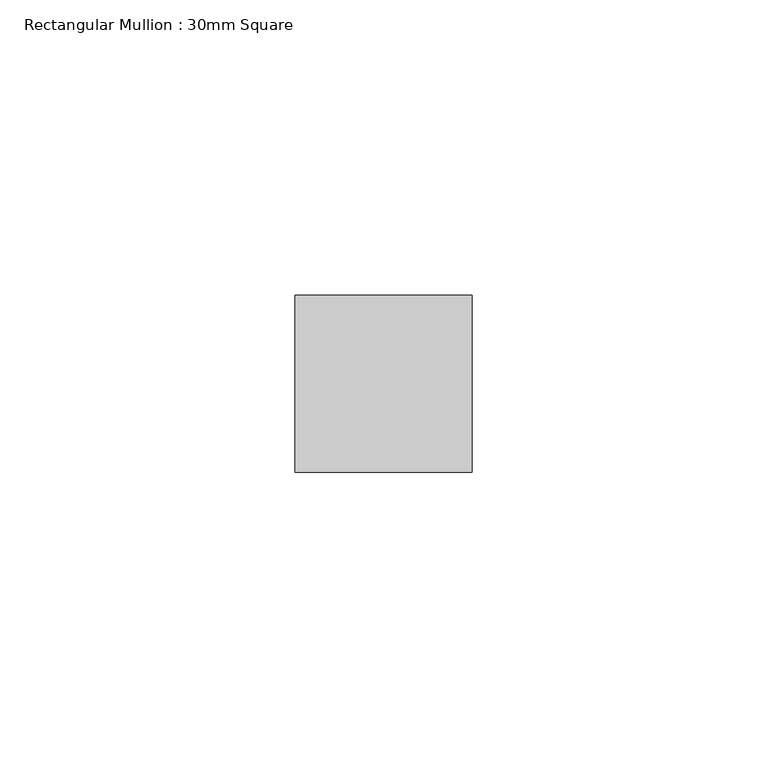
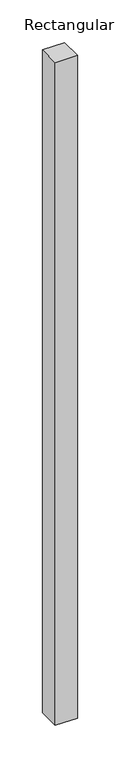
"""IFC4 building model written with IfcOpenShell, lengths in millimetres: member geometry, Rectangular Mullion : 30mm Square."""

from ifc_helpers import new_model, si_unit, frame, origin, place, context, project, spatial, polyline, outline, extrude, source, transform, mapped, element, save


def rectangular_mullion_30mm_square_d0212654(model_context):
    return source(origin(), model_context, "Body", "SweptSolid", [
        extrude(outline(polyline([(15.0, 15.0), (15.0, -15.0), (-15.0, -15.0), (-15.0, 15.0), (15.0, 15.0)])), frame((0.0, 0.0, -949.132638), z_axis=(0.0, 0.0, 1.0), x_axis=(1.0, 0.0, 0.0)), (0.0, 0.0, 1.0), 949.132638),
    ])


if __name__ == "__main__":
    model = new_model("IFC4")
    model_context = context("Model", 3, world=origin())
    ifc_project = project(units=[si_unit("LENGTHUNIT", "METRE", prefix="MILLI")], contexts=[model_context])
    site = spatial("IfcSite", under=ifc_project)
    building = spatial("IfcBuilding", under=site)
    placement = place(None, origin())
    rectangular_mullion_30mm_square_shape = rectangular_mullion_30mm_square_d0212654(model_context)
    element("IfcMember", 1, ObjectType="Rectangular Mullion : 30mm Square", at=placement, inside=building, context=model_context, shape_type="MappedRepresentation", body=[
        mapped(rectangular_mullion_30mm_square_shape, transform((0.0, 0.0, 0.0), x_axis=(1.0, 0.0, 0.0), y_axis=(0.0, 1.0, 0.0), z_axis=(0.0, 0.0, 1.0))),
    ])
    save(model, "model.ifc")
